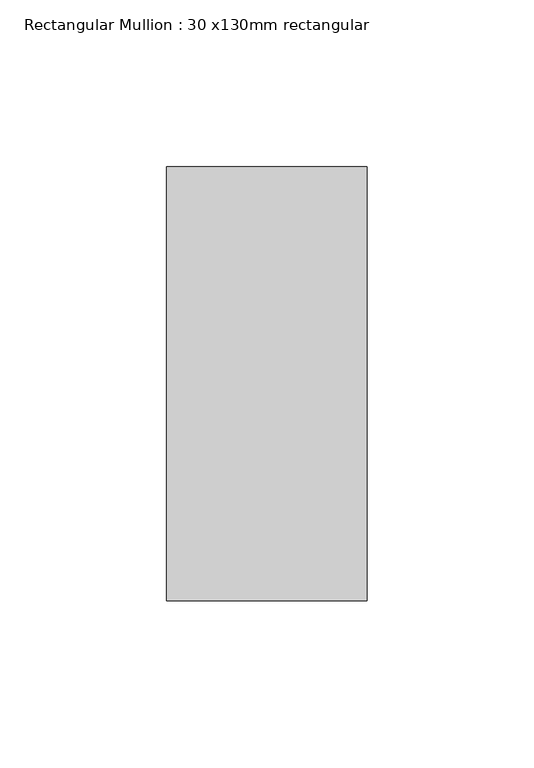
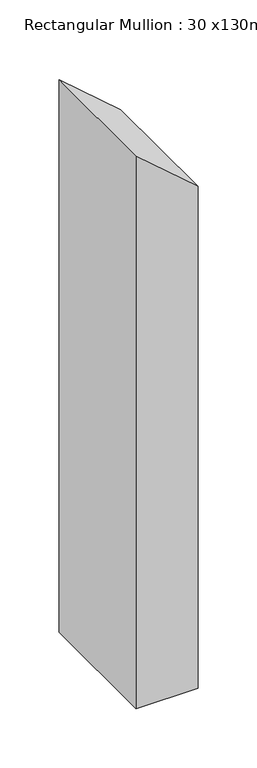
"""IFC4 building model written with IfcOpenShell, lengths in millimetres: member geometry, Rectangular Mullion : 30 x130mm rectangular."""

from ifc_helpers import new_model, si_unit, frame, origin, place, context, project, spatial, polyline, outline, extrude, source, transform, mapped, element, save


def rectangular_mullion_30_x130mm_rectangular_331b5780(model_context):
    return source(origin(), model_context, "Body", "SweptSolid", [
        extrude(outline(polyline([(-105.3533014, 30.0), (-53.3917772, -30.0), (-621.9684306, -30.0), (-621.9684306, 30.0), (-105.3533014, 30.0)])), frame((0.0, -65.0, 0.0), z_axis=(0.0, 1.0, 0.0), x_axis=(0.0, 0.0, 1.0)), (0.0, 0.0, 1.0), 130.0),
    ])


if __name__ == "__main__":
    model = new_model("IFC4")
    model_context = context("Model", 3, world=origin())
    ifc_project = project(units=[si_unit("LENGTHUNIT", "METRE", prefix="MILLI")], contexts=[model_context])
    site = spatial("IfcSite", under=ifc_project)
    building = spatial("IfcBuilding", under=site)
    placement = place(None, origin())
    rectangular_mullion_30_x130mm_rectangular_shape = rectangular_mullion_30_x130mm_rectangular_331b5780(model_context)
    element("IfcMember", 1, ObjectType="Rectangular Mullion : 30 x130mm rectangular", at=placement, inside=building, context=model_context, shape_type="MappedRepresentation", body=[
        mapped(rectangular_mullion_30_x130mm_rectangular_shape, transform((0.0, 0.0, 0.0), x_axis=(1.0, 0.0, 0.0), y_axis=(0.0, 1.0, 0.0), z_axis=(0.0, 0.0, 1.0))),
    ])
    save(model, "model.ifc")
